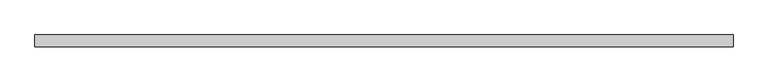
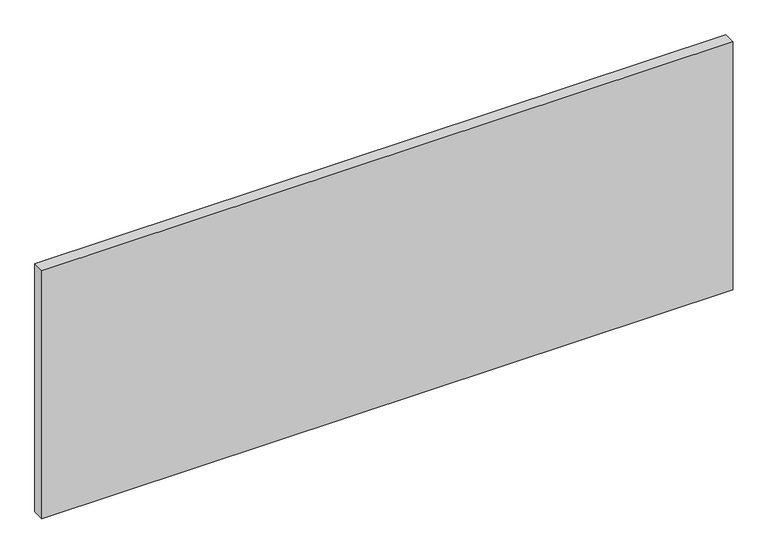
"""IFC4 building model written with IfcOpenShell, lengths in millimetres: plate geometry."""

from ifc_helpers import new_model, si_unit, origin, origin_with_axes, place, context, project, spatial, polyline, outline, extrude, source, transform, mapped, element, save


def plate_d206a63c(model_context):
    return source(origin(), model_context, "Body", "SweptSolid", [
        extrude(outline(polyline([(725.0, -12.5), (-725.0, -12.5), (-725.0, 12.5), (725.0, 12.5), (725.0, -12.5)])), origin_with_axes(), (0.0, 0.0, 1.0), 550.0),
    ])


if __name__ == "__main__":
    model = new_model("IFC4")
    model_context = context("Model", 3, world=origin())
    ifc_project = project(units=[si_unit("LENGTHUNIT", "METRE", prefix="MILLI")], contexts=[model_context])
    site = spatial("IfcSite", under=ifc_project)
    building = spatial("IfcBuilding", under=site)
    placement = place(None, origin())
    plate_shape = plate_d206a63c(model_context)
    element("IfcPlate", 1, at=placement, inside=building, context=model_context, shape_type="MappedRepresentation", body=[
        mapped(plate_shape, transform((0.0, 0.0, 0.0), x_axis=(1.0, 0.0, 0.0), y_axis=(0.0, 1.0, 0.0), z_axis=(0.0, 0.0, 1.0))),
    ])
    save(model, "model.ifc")
